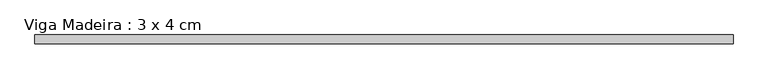
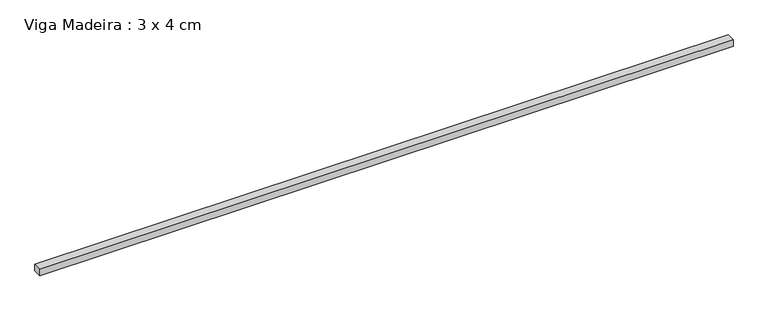
"""IFC4 building model written with IfcOpenShell, lengths in millimetres: beam geometry, Viga Madeira : 3 x 4 cm."""

from ifc_helpers import new_model, si_unit, frame, origin, place, context, project, spatial, polyline, outline, extrude, source, transform, mapped, element, save


def viga_madeira_3_x_4_cm_464b1327(model_context):
    return source(origin(), model_context, "Body", "SweptSolid", [
        extrude(outline(polyline([(1594.8347003, 20.0), (1594.8347003, -20.0), (-1594.8347003, -20.0), (-1594.8347003, 20.0), (1594.8347003, 20.0)])), frame((0.0, 0.0, -15.0), z_axis=(0.0, 0.0, 1.0), x_axis=(1.0, 0.0, 0.0)), (0.0, 0.0, 1.0), 30.0),
    ])


if __name__ == "__main__":
    model = new_model("IFC4")
    model_context = context("Model", 3, world=origin())
    ifc_project = project(units=[si_unit("LENGTHUNIT", "METRE", prefix="MILLI")], contexts=[model_context])
    site = spatial("IfcSite", under=ifc_project)
    building = spatial("IfcBuilding", under=site)
    placement = place(None, origin())
    viga_madeira_3_x_4_cm_shape = viga_madeira_3_x_4_cm_464b1327(model_context)
    element("IfcBeam", 1, ObjectType="Viga Madeira : 3 x 4 cm", at=placement, inside=building, context=model_context, shape_type="MappedRepresentation", body=[
        mapped(viga_madeira_3_x_4_cm_shape, transform((0.0, 0.0, 0.0), x_axis=(1.0, 0.0, 0.0), y_axis=(0.0, 1.0, 0.0), z_axis=(0.0, 0.0, 1.0))),
    ])
    save(model, "model.ifc")
